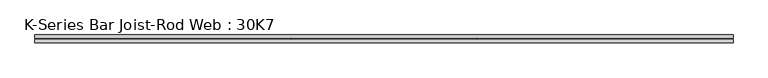
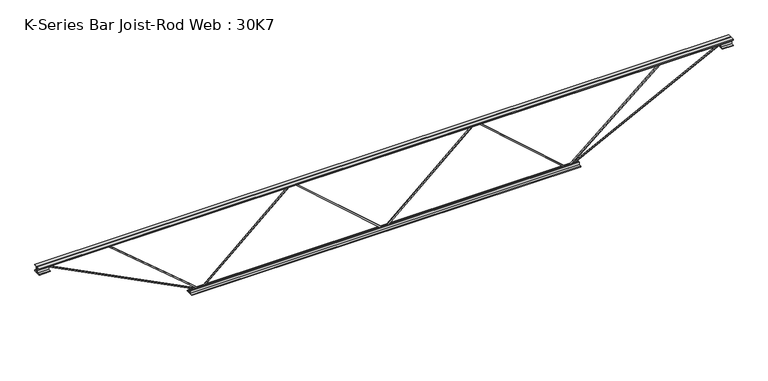
"""IFC4 building model written with IfcOpenShell, lengths in millimetres: beam geometry, K-Series Bar Joist-Rod Web : 30K7."""

from ifc_helpers import new_model, si_unit, frame, origin, place, context, project, spatial, polyline, outline, extrude, source, transform, mapped, element, save


def k_series_bar_joist_rod_web_30k7_21a4481f(model_context):
    return source(origin(), model_context, "Body", "SweptSolid", [
        extrude(outline(polyline([(-379.4125, 0.0), (-379.4125, 4.973034), (369.8875, 855.873034), (369.8875, 858.626966), (-379.4125, 1709.526966), (-379.4125, 1714.5), (-369.8875, 1714.5), (-369.8875, 1713.123034), (379.4125, 862.223034), (379.4125, 852.276966), (-369.8875, 1.376966), (-369.8875, 0.0), (-379.4125, 0.0)])), frame((0.0, -4.7625, 0.0), z_axis=(0.0, 1.0, 0.0), x_axis=(0.0, 0.0, 1.0)), (0.0, 0.0, 1.0), 9.525),
        extrude(outline(polyline([(-379.4125, -1714.5), (-379.4125, -1709.526966), (369.8875, -858.626966), (369.8875, -855.873034), (-379.4125, -4.973034), (-379.4125, 0.0), (-369.8875, 0.0), (-369.8875, -1.376966), (379.4125, -852.276966), (379.4125, -862.223034), (-369.8875, -1713.123034), (-369.8875, -1714.5), (-379.4125, -1714.5)])), frame((0.0, -4.7625, 0.0), z_axis=(0.0, 1.0, 0.0), x_axis=(0.0, 0.0, 1.0)), (0.0, 0.0, 1.0), 9.525),
        extrude(outline(polyline([(-4.7625, 381.0), (-4.7625, 349.25), (-11.1125, 349.25), (-11.1125, 374.65), (-36.5125, 374.65), (-36.5125, 381.0), (-4.7625, 381.0)])), frame((-3238.5, 0.0, 0.0), z_axis=(1.0, 0.0, 0.0), x_axis=(0.0, 1.0, 0.0)), (0.0, 0.0, 1.0), 6477.0),
        extrude(outline(polyline([(4.7625, 381.0), (36.5125, 381.0), (36.5125, 374.65), (11.1125, 374.65), (11.1125, 349.25), (4.7625, 349.25), (4.7625, 381.0)])), frame((-3238.5, 0.0, 0.0), z_axis=(1.0, 0.0, 0.0), x_axis=(0.0, 1.0, 0.0)), (0.0, 0.0, 1.0), 6477.0),
        extrude(outline(polyline([(4.7625, 317.5), (4.7625, 349.25), (11.1125, 349.25), (11.1125, 323.85), (36.5125, 323.85), (36.5125, 317.5), (4.7625, 317.5)])), frame((-3238.5, 0.0, 0.0), z_axis=(1.0, 0.0, 0.0), x_axis=(0.0, 1.0, 0.0)), (0.0, 0.0, 1.0), 101.6),
        extrude(outline(polyline([(-36.5125, 317.5), (-36.5125, 323.85), (-11.1125, 323.85), (-11.1125, 349.25), (-4.7625, 349.25), (-4.7625, 317.5), (-36.5125, 317.5)])), frame((-3238.5, 0.0, 0.0), z_axis=(1.0, 0.0, 0.0), x_axis=(0.0, 1.0, 0.0)), (0.0, 0.0, 1.0), 101.6),
        extrude(outline(polyline([(-4.7625, 317.5), (-36.5125, 317.5), (-36.5125, 323.85), (-11.1125, 323.85), (-11.1125, 349.25), (-4.7625, 349.25), (-4.7625, 317.5)])), frame((3136.9, 0.0, 0.0), z_axis=(1.0, 0.0, 0.0), x_axis=(0.0, 1.0, 0.0)), (0.0, 0.0, 1.0), 101.6),
        extrude(outline(polyline([(4.7625, 317.5), (4.7625, 349.25), (11.1125, 349.25), (11.1125, 323.85), (36.5125, 323.85), (36.5125, 317.5), (4.7625, 317.5)])), frame((3136.9, 0.0, 0.0), z_axis=(1.0, 0.0, 0.0), x_axis=(0.0, 1.0, 0.0)), (0.0, 0.0, 1.0), 101.6),
        extrude(outline(polyline([(-4.7625, -381.0), (-36.5125, -381.0), (-36.5125, -374.65), (-11.1125, -374.65), (-11.1125, -349.25), (-4.7625, -349.25), (-4.7625, -381.0)])), frame((-1816.1, 0.0, 0.0), z_axis=(1.0, 0.0, 0.0), x_axis=(0.0, 1.0, 0.0)), (0.0, 0.0, 1.0), 3632.2),
        extrude(outline(polyline([(4.7625, -381.0), (4.7625, -349.25), (11.1125, -349.25), (11.1125, -374.65), (36.5125, -374.65), (36.5125, -381.0), (4.7625, -381.0)])), frame((-1816.1, 0.0, 0.0), z_axis=(1.0, 0.0, 0.0), x_axis=(0.0, 1.0, 0.0)), (0.0, 0.0, 1.0), 3632.2),
        extrude(outline(polyline([(0.0, 9.525), (1596.011582, 9.525), (1596.011582, 0.0), (0.0, 0.0), (0.0, 9.525)])), frame((-3139.0601183, -4.7625, 345.0055571), z_axis=(0.4535681370653388, 0.0, 0.8912216026550738), x_axis=(0.8912216026550738, 0.0, -0.4535681370653388)), (0.0, 0.0, 1.0), 9.525),
        extrude(outline(polyline([(0.0, 9.525), (1122.0110394, 9.525), (1122.0110394, 0.0), (0.0, 0.0), (0.0, 9.525)])), frame((-2574.8226736, -4.7625, 345.6113075), z_axis=(0.6451808178261166, 0.0, 0.7640299158470324), x_axis=(0.7640299158470324, 0.0, -0.6451808178261166)), (0.0, 0.0, 1.0), 9.525),
        extrude(outline(polyline([(0.0, 9.525), (1596.011582, 9.525), (1596.011582, 0.0), (0.0, 0.0), (0.0, 9.525)])), frame((3139.0601183, 4.7625, 345.0055571), z_axis=(-0.4535681370653315, 0.0, 0.8912216026550774), x_axis=(-0.8912216026550774, 0.0, -0.4535681370653315)), (0.0, 0.0, 1.0), 9.525),
        extrude(outline(polyline([(0.0, 9.525), (1122.0110394, 9.525), (1122.0110394, 0.0), (0.0, 0.0), (0.0, 9.525)])), frame((2574.8226736, 4.7625, 345.6113075), z_axis=(-0.6451808178261143, 0.0, 0.7640299158470344), x_axis=(-0.7640299158470344, 0.0, -0.6451808178261143)), (0.0, 0.0, 1.0), 9.525),
    ])


if __name__ == "__main__":
    model = new_model("IFC4")
    model_context = context("Model", 3, world=origin())
    ifc_project = project(units=[si_unit("LENGTHUNIT", "METRE", prefix="MILLI")], contexts=[model_context])
    site = spatial("IfcSite", under=ifc_project)
    building = spatial("IfcBuilding", under=site)
    placement = place(None, origin())
    k_series_bar_joist_rod_web_30k7_shape = k_series_bar_joist_rod_web_30k7_21a4481f(model_context)
    element("IfcBeam", 1, ObjectType="K-Series Bar Joist-Rod Web : 30K7", at=placement, inside=building, context=model_context, shape_type="MappedRepresentation", body=[
        mapped(k_series_bar_joist_rod_web_30k7_shape, transform((0.0, 0.0, 0.0), x_axis=(1.0, 0.0, 0.0), y_axis=(0.0, 1.0, 0.0), z_axis=(0.0, 0.0, 1.0))),
    ])
    save(model, "model.ifc")
